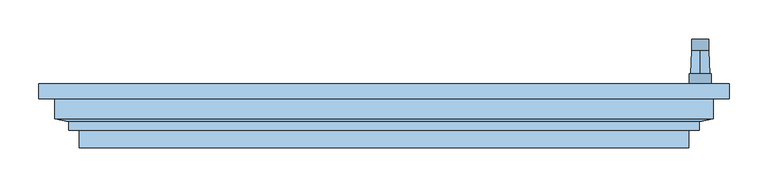
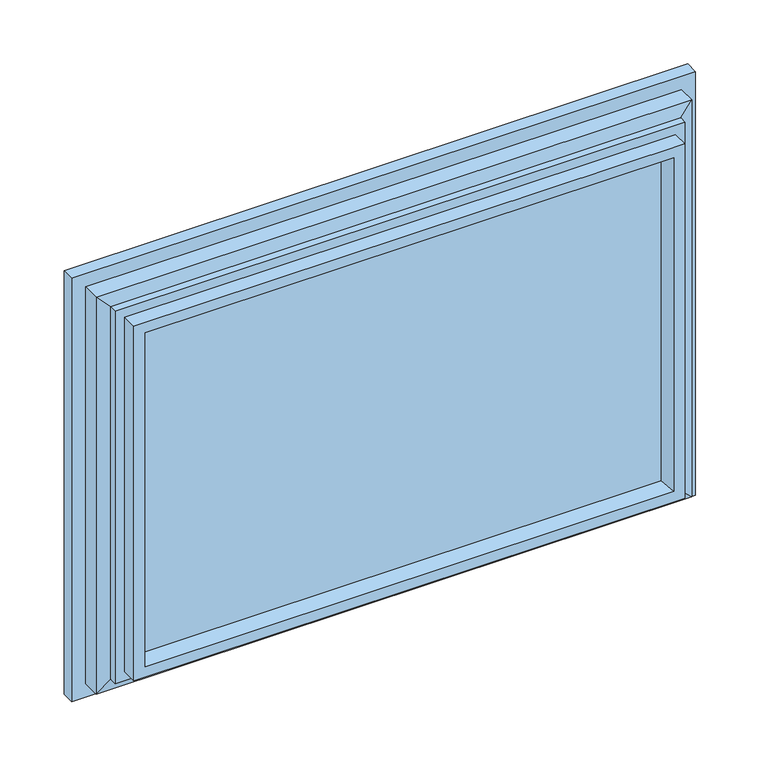
"""IFC4 building model written with IfcOpenShell, lengths in millimetres: window geometry."""

from ifc_helpers import new_model, si_unit, point, frame, frame_2d, origin, place, context, project, spatial, polyline, circle_curve, trimmed, segment, composite_curve, outline, extrude, faceted_brep, source, transform, mapped, element, save
from ifc_brep_helpers import plane_surface, cylinder_surface, revolved_surface, advanced_brep


def window_c95f24bc(model_context):
    return source(origin(), model_context, "Body", "SolidModel", [
        advanced_brep(
        [(419.8, -69.2, 220.2), (419.8, -69.2, 184.8), (391.2, -69.2, 184.8), (391.2, -69.2, 220.2), (405.5, -69.2, 190.5), (405.5, -69.2, 214.5), (419.8, -82.0, 220.2), (391.2, -82.0, 220.2), (391.2, -82.0, 184.8), (419.8, -82.0, 184.8), (405.5, -39.4162196, 213.45), (405.5, -39.4162196, 191.55)],
        [
            (0, 1),
            (1, 2, circle_curve(frame((405.5, -69.2, 184.8), z_axis=(0.0, 1.0, 0.0), x_axis=(-1.0, 0.0, 0.0)), 14.3)),
            (2, 3),
            (3, 0, circle_curve(frame((405.5, -69.2, 220.2), z_axis=(0.0, 1.0, 0.0), x_axis=(-1.0, 0.0, 0.0)), 14.3)),
            (4, 5, circle_curve(frame((405.5, -69.2, 202.5), z_axis=(0.0, -1.0, 0.0), x_axis=(0.0, 0.0, 1.0)), 12.0)),
            (5, 4, circle_curve(frame((405.5, -69.2, 202.5), z_axis=(0.0, -1.0, 0.0), x_axis=(0.0, 0.0, -1.0)), 12.0)),
            (6, 7, circle_curve(frame((405.5, -82.0, 220.2), z_axis=(0.0, -1.0, 0.0), x_axis=(-1.0, 0.0, 0.0)), 14.3)),
            (7, 8),
            (8, 9, circle_curve(frame((405.5, -82.0, 184.8), z_axis=(0.0, -1.0, 0.0), x_axis=(-1.0, 0.0, 0.0)), 14.3)),
            (9, 6),
            (0, 6),
            (9, 1),
            (8, 2),
            (7, 3),
            (10, 11, circle_curve(frame((405.5, -39.4162196, 202.5), z_axis=(0.0, 1.0, 0.0), x_axis=(0.0, 0.0, 1.0)), 10.95)),
            (11, 10, circle_curve(frame((405.5, -39.4162196, 202.5), z_axis=(0.0, 1.0, 0.0), x_axis=(0.0, 0.0, -1.0)), 10.95)),
            (10, 5),
            (4, 11),
        ],
        [
            plane_surface(frame((419.8, -69.2, 220.2), z_axis=(0.0, 1.0, 0.0), x_axis=(0.0, 0.0, -1.0))),
            plane_surface(frame((419.8, -82.0, 220.2), z_axis=(0.0, -1.0, 0.0), x_axis=(0.0, 0.0, 1.0))),
            plane_surface(frame((419.8, -69.2, 220.2), z_axis=(1.0, 0.0, 0.0), x_axis=(0.0, -1.0, 0.0))),
            cylinder_surface(frame((405.5, -82.0, 184.8), z_axis=(0.0, 1.0, 0.0), x_axis=(-1.0, 0.0, 0.0)), 14.3),
            plane_surface(frame((391.2, -69.2, 184.8), z_axis=(-1.0, 0.0, 0.0), x_axis=(0.0, -1.0, 0.0))),
            cylinder_surface(frame((405.5, -82.0, 220.2), z_axis=(0.0, 1.0, 0.0), x_axis=(-1.0, 0.0, 0.0)), 14.3),
            plane_surface(frame((405.5, -39.4162196, 202.5), z_axis=(0.0, 1.0, 0.0), x_axis=(1.0, 0.0, 0.0))),
            revolved_surface(polyline([(405.5, -39.41621959999998, 213.4500000002644), (405.5, -69.19999999999999, 214.5)]), (405.5, 271.1860618, 202.5), (0.0, -1.0, 0.0)),
            revolved_surface(polyline([(405.5, -39.41621959999998, 191.5499999997356), (405.5, -69.19999999999999, 190.5)]), (405.5, 271.1860618, 202.5), (0.0, -1.0, 0.0)),
        ],
        [
            (0, [[1, 2, 3, 4], [5, 6]]),
            (1, [[7, 8, 9, 10]]),
            (2, [[-1, 11, -10, 12]]),
            (3, [[-2, -12, -9, 13]]),
            (4, [[-3, -13, -8, 14]]),
            (5, [[-4, -14, -7, -11]]),
            (6, [[15, 16]]),
            (7, [[-15, 17, -5, 18]]),
            (8, [[-16, -18, -6, -17]]),
        ],
    ),
        extrude(outline(composite_curve([segment(trimmed(circle_curve(frame_2d((89.5593058, 401.5419635)), 5.1186159), [point((89.5592661, 396.4233476))], [point((84.4406899, 401.5419635))], False, "CARTESIAN"), True, "CONTINUOUS"), segment(polyline([(84.4406899, 401.5419635), (84.4406899, 409.4580365)]), True, "CONTINUOUS"), segment(trimmed(circle_curve(frame_2d((89.5593058, 409.4580365)), 5.1186159), [point((84.4406899, 409.4580365))], [point((89.3895475, 414.5738366))], False, "CARTESIAN"), True, "CONTINUOUS"), segment(polyline([(89.3895475, 414.5738366), (202.5, 416.45)]), True, "CONTINUOUS"), segment(trimmed(circle_curve(frame_2d((202.5, 405.5)), 10.95), [point((202.5, 416.45))], [point((202.5, 394.55))], False, "CARTESIAN"), True, "CONTINUOUS"), segment(polyline([(202.5, 394.55), (89.5592661, 396.4233476)]), True, "CONTINUOUS")], self_intersect=False)), frame((0.0, -39.4162196, 0.0), z_axis=(0.0, 1.0, 0.0), x_axis=(0.0, 0.0, 1.0)), (0.0, 0.0, 1.0), 15.0),
        extrude(outline(polyline([(386.5, -103.0), (386.5, -107.0), (-386.5, -107.0), (-386.5, -103.0), (386.5, -103.0)])), frame((0.0, 0.0, 108.5), z_axis=(0.0, 0.0, 1.0), x_axis=(1.0, 0.0, 0.0)), (0.0, 0.0, 1.0), 523.0),
        extrude(outline(polyline([(386.5, -139.0), (386.5, -143.0), (-386.5, -143.0), (-386.5, -139.0), (386.5, -139.0)])), frame((0.0, 0.0, 108.5), z_axis=(0.0, 0.0, 1.0), x_axis=(1.0, 0.0, 0.0)), (0.0, 0.0, 1.0), 523.0),
        extrude(outline(polyline([(386.5, -121.0), (386.5, -125.0), (-386.5, -125.0), (-386.5, -121.0), (386.5, -121.0)])), frame((0.0, 0.0, 108.5), z_axis=(0.0, 0.0, 1.0), x_axis=(1.0, 0.0, 0.0)), (0.0, 0.0, 1.0), 523.0),
        faceted_brep([(422.5, -101.0, 667.5), (422.5, -126.45, 667.5), (422.5, -126.45, 72.5), (422.5, -101.0, 72.5), (442.5, -82.0, 687.5), (442.5, -101.0, 687.5), (442.5, -101.0, 52.5), (442.5, -82.0, 52.5), (370.3364776, -103.0, 615.3364776), (359.6599742, -82.0, 604.6599742), (359.6599742, -82.0, 135.3400258), (370.3364776, -103.0, 124.6635224), (386.5, -143.0, 631.5), (386.5, -103.0, 631.5), (386.5, -103.0, 108.5), (386.5, -143.0, 108.5), (375.1595631, -164.0, 620.1595631), (369.53263, -143.0, 614.53263), (369.53263, -143.0, 125.46737), (375.1595631, -164.0, 119.8404369), (390.9018435, -164.0, 635.9018435), (390.9018435, -164.0, 104.0981565), (390.9018435, -141.5, 104.0981565), (390.9018435, -141.5, 635.9018435), (404.3518435, -130.6, 649.3518435), (404.3518435, -141.5, 649.3518435), (404.3518435, -141.5, 90.6481565), (404.3518435, -130.6, 90.6481565), (-422.5, -126.45, 72.5), (-422.5, -101.0, 72.5), (-442.5, -101.0, 52.5), (-442.5, -82.0, 52.5), (-359.6599742, -82.0, 135.3400258), (-370.3364776, -103.0, 124.6635224), (-386.5, -103.0, 108.5), (-386.5, -143.0, 108.5), (-369.53263, -143.0, 125.46737), (-375.1595631, -164.0, 119.8404369), (-390.9018435, -164.0, 104.0981565), (-390.9018435, -141.5, 104.0981565), (-404.3518435, -141.5, 90.6481565), (-404.3518435, -130.6, 90.6481565), (-422.5, -126.45, 667.5), (-422.5, -101.0, 667.5), (-442.5, -101.0, 687.5), (-442.5, -82.0, 687.5), (-359.6599742, -82.0, 604.6599742), (-370.3364776, -103.0, 615.3364776), (-386.5, -103.0, 631.5), (-386.5, -143.0, 631.5), (-369.53263, -143.0, 614.53263), (-375.1595631, -164.0, 620.1595631), (-390.9018435, -164.0, 635.9018435), (-390.9018435, -141.5, 635.9018435), (-404.3518435, -141.5, 649.3518435), (-404.3518435, -130.6, 649.3518435)], [[[0, 1, 2, 3]], [[4, 5, 6, 7]], [[8, 9, 10, 11]], [[12, 13, 14, 15]], [[16, 17, 18, 19]], [[20, 21, 22, 23]], [[24, 25, 26, 27]], [[1, 24, 27, 2]], [[3, 2, 28, 29]], [[7, 6, 30, 31]], [[11, 10, 32, 33]], [[15, 14, 34, 35]], [[19, 18, 36, 37]], [[22, 21, 38, 39]], [[27, 26, 40, 41]], [[2, 27, 41, 28]], [[29, 28, 42, 43]], [[31, 30, 44, 45]], [[33, 32, 46, 47]], [[35, 34, 48, 49]], [[37, 36, 50, 51]], [[39, 38, 52, 53]], [[41, 40, 54, 55]], [[28, 41, 55, 42]], [[43, 42, 1, 0]], [[5, 44, 30, 6], [3, 29, 43, 0]], [[45, 44, 5, 4]], [[7, 31, 45, 4], [9, 46, 32, 10]], [[47, 46, 9, 8]], [[13, 48, 34, 14], [11, 33, 47, 8]], [[49, 48, 13, 12]], [[15, 35, 49, 12], [17, 50, 36, 18]], [[51, 50, 17, 16]], [[20, 52, 38, 21], [19, 37, 51, 16]], [[53, 52, 20, 23]], [[25, 54, 40, 26], [22, 39, 53, 23]], [[55, 54, 25, 24]], [[42, 55, 24, 1]]]),
    ])


if __name__ == "__main__":
    model = new_model("IFC4")
    model_context = context("Model", 3, world=origin())
    ifc_project = project(units=[si_unit("LENGTHUNIT", "METRE", prefix="MILLI")], contexts=[model_context])
    site = spatial("IfcSite", under=ifc_project)
    building = spatial("IfcBuilding", under=site)
    placement = place(None, origin())
    window_shape = window_c95f24bc(model_context)
    element("IfcWindow", 1, at=placement, inside=building, context=model_context, shape_type="MappedRepresentation", body=[
        mapped(window_shape, transform((0.0, 0.0, 0.0), x_axis=(1.0, 0.0, 0.0), y_axis=(0.0, 1.0, 0.0), z_axis=(0.0, 0.0, 1.0))),
    ])
    save(model, "model.ifc")
